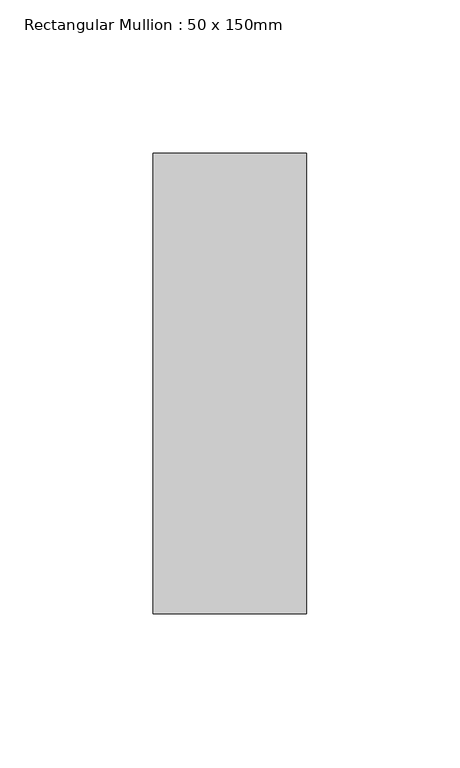
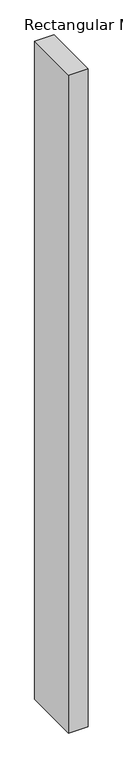
"""IFC4 building model written with IfcOpenShell, lengths in millimetres: member geometry, Rectangular Mullion : 50 x 150mm."""

from ifc_helpers import new_model, si_unit, frame, origin, place, context, project, spatial, polyline, outline, extrude, source, transform, mapped, element, save


def rectangular_mullion_50_x_150mm_ded00a16(model_context):
    return source(origin(), model_context, "Body", "SweptSolid", [
        extrude(outline(polyline([(0.0, 75.0), (0.0, -75.0), (-50.0, -75.0), (-50.0, 75.0), (0.0, 75.0)])), frame((0.0, 0.0, -1780.0), z_axis=(0.0, 0.0, 1.0), x_axis=(1.0, 0.0, 0.0)), (0.0, 0.0, 1.0), 1780.0),
    ])


if __name__ == "__main__":
    model = new_model("IFC4")
    model_context = context("Model", 3, world=origin())
    ifc_project = project(units=[si_unit("LENGTHUNIT", "METRE", prefix="MILLI")], contexts=[model_context])
    site = spatial("IfcSite", under=ifc_project)
    building = spatial("IfcBuilding", under=site)
    placement = place(None, origin())
    rectangular_mullion_50_x_150mm_shape = rectangular_mullion_50_x_150mm_ded00a16(model_context)
    element("IfcMember", 1, ObjectType="Rectangular Mullion : 50 x 150mm", at=placement, inside=building, context=model_context, shape_type="MappedRepresentation", body=[
        mapped(rectangular_mullion_50_x_150mm_shape, transform((0.0, 0.0, 0.0), x_axis=(1.0, 0.0, 0.0), y_axis=(0.0, 1.0, 0.0), z_axis=(0.0, 0.0, 1.0))),
    ])
    save(model, "model.ifc")
